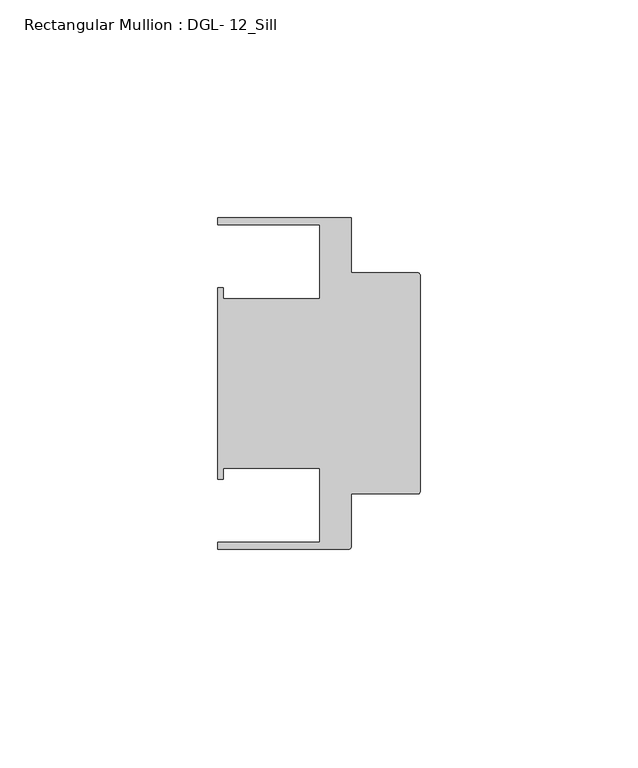
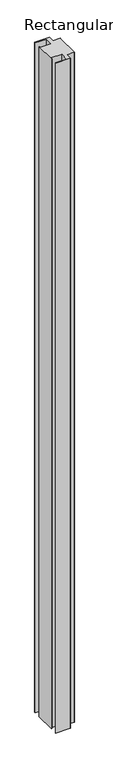
"""IFC4 building model written with IfcOpenShell, lengths in millimetres: member geometry, Rectangular Mullion : DGL- 12_Sill."""

from ifc_helpers import new_model, si_unit, point, frame, frame_2d, origin, place, context, project, spatial, polyline, circle_curve, trimmed, segment, composite_curve, outline, extrude, source, transform, mapped, element, save


def rectangular_mullion_dgl_12_sill_3c36a21b(model_context):
    return source(origin(), model_context, "Body", "SweptSolid", [
        extrude(outline(composite_curve([segment(trimmed(circle_curve(frame_2d((-0.5953125, 24.8046875)), 0.5953125), [point((-0.5953125, 25.4))], [point((0.0, 24.8046875))], False, "CARTESIAN"), True, "CONTINUOUS"), segment(polyline([(0.0, 24.8046875), (0.0, -24.8046875)]), True, "CONTINUOUS"), segment(trimmed(circle_curve(frame_2d((-0.5953125, -24.8046875)), 0.5953125), [point((0.0, -24.8046875))], [point((-0.5953125, -25.4))], False, "CARTESIAN"), True, "CONTINUOUS"), segment(polyline([(-0.5953125, -25.4), (-15.8750672, -25.4), (-15.8750672, -37.5047035)]), True, "CONTINUOUS"), segment(trimmed(circle_curve(frame_2d((-16.4703797, -37.5047035)), 0.5953125), [point((-15.8750672, -37.5047035))], [point((-16.4703797, -38.100016))], False, "CARTESIAN"), True, "CONTINUOUS"), segment(polyline([(-16.4703797, -38.100016), (-46.54296, -38.100016), (-46.54296, -36.512516), (-23.1202791, -36.512516), (-23.1202791, -19.4824275), (-45.2865266, -19.4824275), (-45.2865266, -21.9710976), (-46.54296, -21.9710976), (-46.54296, 21.9710976), (-45.2865266, 21.9710976), (-45.2865266, 19.4824275), (-23.1202791, 19.4824275), (-23.1202791, 36.512516), (-46.54296, 36.512516), (-46.54296, 38.0996792), (-15.8750672, 38.0996792), (-15.8750672, 25.4), (-0.5953125, 25.4)]), True, "CONTINUOUS")], self_intersect=False)), frame((0.0, 0.0, -1477.9660402), z_axis=(0.0, 0.0, 1.0), x_axis=(1.0, 0.0, 0.0)), (0.0, 0.0, 1.0), 1477.9660402),
    ])


if __name__ == "__main__":
    model = new_model("IFC4")
    model_context = context("Model", 3, world=origin())
    ifc_project = project(units=[si_unit("LENGTHUNIT", "METRE", prefix="MILLI")], contexts=[model_context])
    site = spatial("IfcSite", under=ifc_project)
    building = spatial("IfcBuilding", under=site)
    placement = place(None, origin())
    rectangular_mullion_dgl_12_sill_shape = rectangular_mullion_dgl_12_sill_3c36a21b(model_context)
    element("IfcMember", 1, ObjectType="Rectangular Mullion : DGL- 12_Sill", at=placement, inside=building, context=model_context, shape_type="MappedRepresentation", body=[
        mapped(rectangular_mullion_dgl_12_sill_shape, transform((0.0, 0.0, 0.0), x_axis=(1.0, 0.0, 0.0), y_axis=(0.0, 1.0, 0.0), z_axis=(0.0, 0.0, 1.0))),
    ])
    save(model, "model.ifc")
